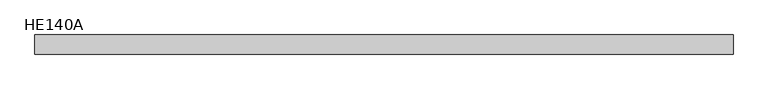
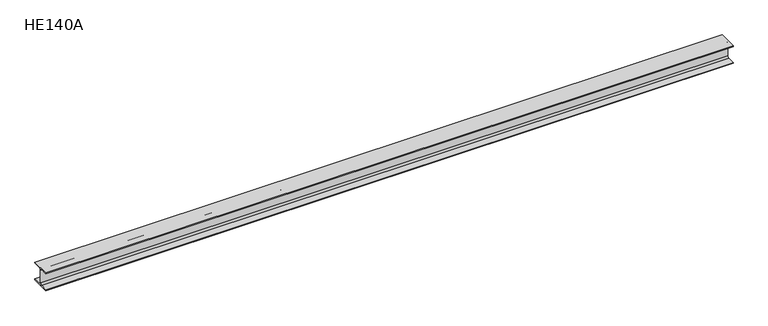
"""IFC4 building model written with IfcOpenShell, lengths in millimetres: beam geometry, HE140A."""

from ifc_helpers import new_model, si_unit, point, frame, frame_2d, origin, place, context, project, spatial, polyline, circle_curve, trimmed, segment, composite_curve, outline, extrude, source, transform, mapped, element, save


def he140a_a0571360(model_context):
    return source(origin(), model_context, "Body", "SweptSolid", [
        extrude(outline(composite_curve([segment(polyline([(70.0, -63.0), (70.0, -70.0), (-70.0, -70.0), (-70.0, -63.0), (-15.0, -63.0)]), True, "CONTINUOUS"), segment(trimmed(circle_curve(frame_2d((-15.0, -50.0)), 13.0), [point((-15.0, -63.0))], [point((-2.0, -50.0))], True, "CARTESIAN"), True, "CONTINUOUS"), segment(polyline([(-2.0, -50.0), (-2.0, 50.0)]), True, "CONTINUOUS"), segment(trimmed(circle_curve(frame_2d((-15.0, 50.0)), 13.0), [point((-2.0, 50.0))], [point((-15.0, 63.0))], True, "CARTESIAN"), True, "CONTINUOUS"), segment(polyline([(-15.0, 63.0), (-70.0, 63.0), (-70.0, 70.0), (70.0, 70.0), (70.0, 63.0), (15.0, 63.0)]), True, "CONTINUOUS"), segment(trimmed(circle_curve(frame_2d((15.0, 50.0)), 13.0), [point((15.0, 63.0))], [point((2.0, 50.0))], True, "CARTESIAN"), True, "CONTINUOUS"), segment(polyline([(2.0, 50.0), (2.0, -50.0)]), True, "CONTINUOUS"), segment(trimmed(circle_curve(frame_2d((15.0, -50.0)), 13.0), [point((2.0, -50.0))], [point((15.0, -63.0))], True, "CARTESIAN"), True, "CONTINUOUS"), segment(polyline([(15.0, -63.0), (70.0, -63.0)]), True, "CONTINUOUS")], self_intersect=False)), frame((-2580.2719343, 0.0, 0.0), z_axis=(1.0, 0.0, 0.0), x_axis=(0.0, 1.0, 0.0)), (0.0, 0.0, 1.0), 5114.7719343),
    ])


if __name__ == "__main__":
    model = new_model("IFC4")
    model_context = context("Model", 3, world=origin())
    ifc_project = project(units=[si_unit("LENGTHUNIT", "METRE", prefix="MILLI")], contexts=[model_context])
    site = spatial("IfcSite", under=ifc_project)
    building = spatial("IfcBuilding", under=site)
    placement = place(None, origin())
    he140a_shape = he140a_a0571360(model_context)
    element("IfcBeam", 1, ObjectType="HE140A", at=placement, inside=building, context=model_context, shape_type="MappedRepresentation", body=[
        mapped(he140a_shape, transform((0.0, 0.0, 0.0), x_axis=(1.0, 0.0, 0.0), y_axis=(0.0, 1.0, 0.0), z_axis=(0.0, 0.0, 1.0))),
    ])
    save(model, "model.ifc")
